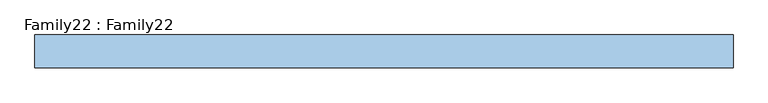
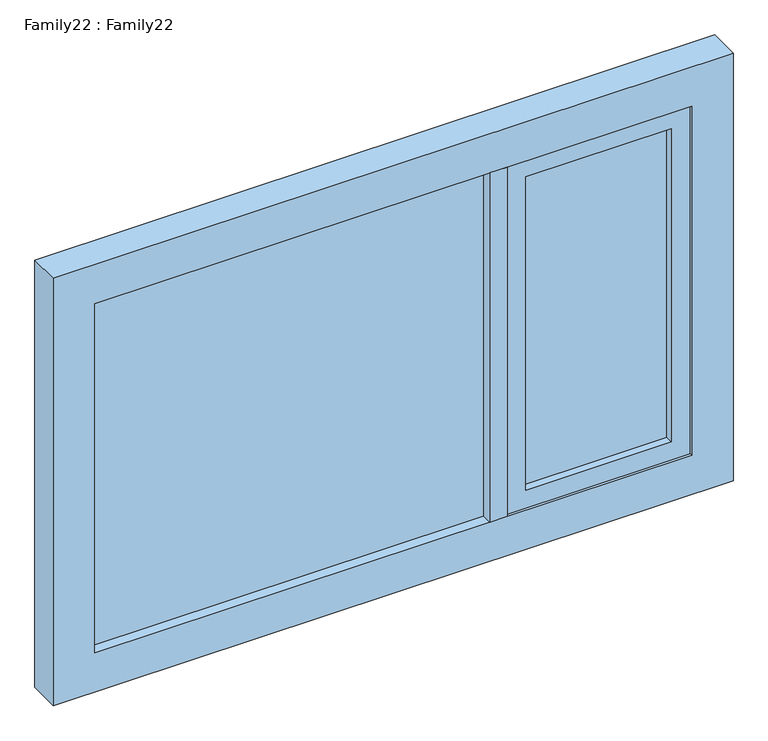
"""IFC4 building model written with IfcOpenShell, lengths in millimetres: window geometry, Family22 : Family22."""

from ifc_helpers import new_model, si_unit, frame, origin, place, context, project, spatial, polyline, outline, extrude, source, transform, mapped, element, save


def family22_family22_f31fb903(model_context):
    return source(origin(), model_context, "Body", "SweptSolid", [
        extrude(outline(polyline([(736.0, -14.0), (353.0338837, -14.0), (353.0338837, -10.0), (736.0, -10.0), (736.0, -14.0)])), frame((0.0, 0.0, 959.0), z_axis=(0.0, 0.0, 1.0), x_axis=(1.0, 0.0, 0.0)), (0.0, 0.0, 1.0), 872.0),
        extrude(outline(polyline([(353.0338837, 14.0), (736.0, 14.0), (736.0, 10.0), (353.0338837, 10.0), (353.0338837, 14.0)])), frame((0.0, 0.0, 959.0), z_axis=(0.0, 0.0, 1.0), x_axis=(1.0, 0.0, 0.0)), (0.0, 0.0, 1.0), 872.0),
        extrude(outline(polyline([(253.8050141, -14.0), (-786.0, -14.0), (-786.0, -10.0), (253.8050141, -10.0), (253.8050141, -14.0)])), frame((0.0, 0.0, 909.0), z_axis=(0.0, 0.0, 1.0), x_axis=(1.0, 0.0, 0.0)), (0.0, 0.0, 1.0), 972.0),
        extrude(outline(polyline([(-786.0, 14.0), (253.8050141, 14.0), (253.8050141, 10.0), (-786.0, 10.0), (-786.0, 14.0)])), frame((0.0, 0.0, 909.0), z_axis=(0.0, 0.0, 1.0), x_axis=(1.0, 0.0, 0.0)), (0.0, 0.0, 1.0), 972.0),
        extrude(outline(polyline([(300.0, 42.0), (300.0, -42.0), (253.8050141, -42.0), (253.8050141, 42.0), (300.0, 42.0)])), frame((0.0, 0.0, 909.0), z_axis=(0.0, 0.0, 1.0), x_axis=(1.0, 0.0, 0.0)), (0.0, 0.0, 1.0), 972.0),
        extrude(outline(polyline([(1881.0, 786.0), (1881.0, 300.0), (909.0, 300.0), (909.0, 786.0), (1881.0, 786.0)]), holes=[polyline([(959.0, 353.0338837), (1831.0, 353.0338837), (1831.0, 736.0), (959.0, 736.0), (959.0, 353.0338837)])]), frame((0.0, -34.9035994, 0.0), z_axis=(0.0, 1.0, 0.0), x_axis=(0.0, 0.0, 1.0)), (0.0, 0.0, 1.0), 70.4146297),
        extrude(outline(polyline([(1990.0, 895.0), (1990.0, -895.0), (800.0, -895.0), (800.0, 895.0), (1990.0, 895.0)]), holes=[polyline([(909.0, 786.0), (909.0, -786.0), (1881.0, -786.0), (1881.0, 786.0), (909.0, 786.0)])]), frame((0.0, -42.0, 0.0), z_axis=(0.0, 1.0, 0.0), x_axis=(0.0, 0.0, 1.0)), (0.0, 0.0, 1.0), 84.0),
    ])


if __name__ == "__main__":
    model = new_model("IFC4")
    model_context = context("Model", 3, world=origin())
    ifc_project = project(units=[si_unit("LENGTHUNIT", "METRE", prefix="MILLI")], contexts=[model_context])
    site = spatial("IfcSite", under=ifc_project)
    building = spatial("IfcBuilding", under=site)
    placement = place(None, origin())
    family22_family22_shape = family22_family22_f31fb903(model_context)
    element("IfcWindow", 1, ObjectType="Family22 : Family22", at=placement, inside=building, context=model_context, shape_type="MappedRepresentation", body=[
        mapped(family22_family22_shape, transform((0.0, 0.0, 0.0), x_axis=(1.0, 0.0, 0.0), y_axis=(0.0, 1.0, 0.0), z_axis=(0.0, 0.0, 1.0))),
    ])
    save(model, "model.ifc")
